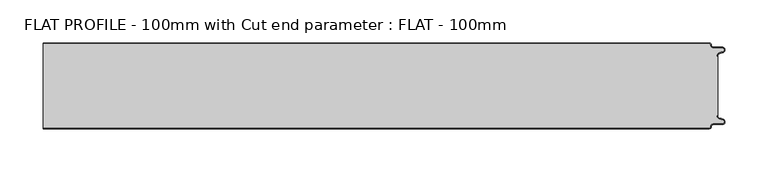
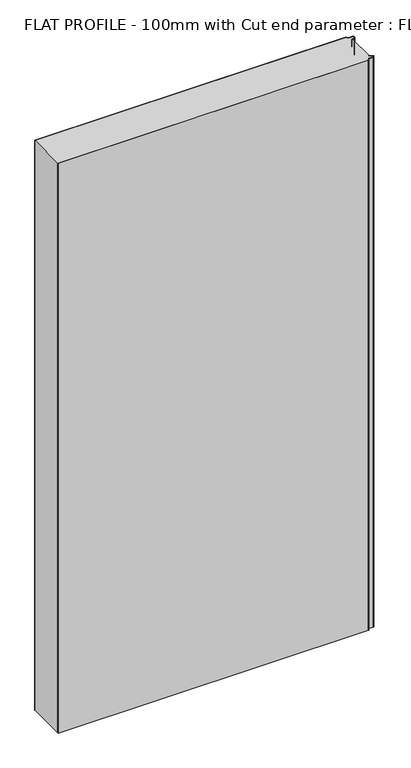
"""IFC4 building model written with IfcOpenShell, lengths in millimetres: proxy geometry, FLAT PROFILE - 100mm with Cut end parameter : FLAT - 100mm."""

from ifc_helpers import new_model, si_unit, point, frame_2d, origin, origin_with_axes, place, context, project, spatial, polyline, circle_curve, trimmed, segment, composite_curve, outline, extrude, source, transform, mapped, element, save


def flat_profile_100mm_with_cut_end_parameter_flat_100mm_3a750f1d(model_context):
    return source(origin(), model_context, "Body", "SweptSolid", [
        extrude(outline(composite_curve([segment(trimmed(circle_curve(frame_2d((596.9047345, 47.4926459)), 1.5073578), [point((596.902372, 49.0000019))], [point((598.4115951, 47.4539337))], False, "CARTESIAN"), True, "CONTINUOUS"), segment(trimmed(circle_curve(frame_2d((601.9112919, 47.5000019)), 3.5), [point((598.4115951, 47.4539337))], [point((601.9112919, 44.0000019))], True, "CARTESIAN"), True, "CONTINUOUS"), segment(polyline([(601.9112919, 44.0000019), (612.3116271, 44.0000019)]), True, "CONTINUOUS"), segment(trimmed(circle_curve(frame_2d((612.3116271, 41.9000019)), 2.1), [point((612.3116271, 44.0000019))], [point((613.0435993, 39.9316988))], False, "CARTESIAN"), True, "CONTINUOUS"), segment(polyline([(613.0435993, 39.9316988), (610.7828028, 39.1063001), (607.8546835, 37.9154156)]), True, "CONTINUOUS"), segment(trimmed(circle_curve(frame_2d((608.9399875, 35.2468953)), 2.8807786), [point((607.8546835, 37.9154156))], [point((606.0682599, 35.475074))], True, "CARTESIAN"), True, "CONTINUOUS"), segment(polyline([(606.0682599, 35.475074), (606.0107004, 34.2522232), (607.0118076, 34.2522232), (607.0118076, -34.2522195), (606.0107004, -34.2522195), (606.0682599, -35.4750703)]), True, "CONTINUOUS"), segment(trimmed(circle_curve(frame_2d((608.9399875, -35.2468916)), 2.8807786), [point((606.0682599, -35.4750703))], [point((607.8546835, -37.9154119))], True, "CARTESIAN"), True, "CONTINUOUS"), segment(polyline([(607.8546835, -37.9154119), (610.7828028, -39.1062964), (613.0435993, -39.9316951)]), True, "CONTINUOUS"), segment(trimmed(circle_curve(frame_2d((612.3116271, -41.8999981)), 2.1), [point((613.0435993, -39.9316951))], [point((612.3116271, -43.9999981))], False, "CARTESIAN"), True, "CONTINUOUS"), segment(polyline([(612.3116271, -43.9999981), (601.9112919, -43.9999981)]), True, "CONTINUOUS"), segment(trimmed(circle_curve(frame_2d((601.9112919, -47.4999981)), 3.5), [point((601.9112919, -43.9999981))], [point((598.4115951, -47.45393))], True, "CARTESIAN"), True, "CONTINUOUS"), segment(trimmed(circle_curve(frame_2d((596.9047345, -47.4926422)), 1.5073578), [point((598.4115951, -47.45393))], [point((596.902372, -48.9999981))], False, "CARTESIAN"), True, "CONTINUOUS"), segment(polyline([(596.902372, -48.9999981), (-176.5783274, -48.9999981), (-176.5783274, 49.0000019), (596.902372, 49.0000019)]), True, "CONTINUOUS")], self_intersect=False)), origin_with_axes(), (0.0, 0.0, 1.0), 1500.0),
        extrude(outline(composite_curve([segment(trimmed(circle_curve(frame_2d((596.9047345, 47.4926459)), 2.5073578), [point((596.9016875, 50.0000019))], [point((599.4117582, 47.4517176))], False, "CARTESIAN"), True, "CONTINUOUS"), segment(trimmed(circle_curve(frame_2d((601.9112919, 47.5000019)), 2.5), [point((599.4117582, 47.4517176))], [point((601.9112919, 45.0000019))], True, "CARTESIAN"), True, "CONTINUOUS"), segment(polyline([(601.9112919, 45.0000019), (612.3116271, 45.0000019)]), True, "CONTINUOUS"), segment(trimmed(circle_curve(frame_2d((612.3116271, 41.9000019)), 3.1), [point((612.3116271, 45.0000019))], [point((613.3890842, 38.9932707))], False, "CARTESIAN"), True, "CONTINUOUS"), segment(polyline([(613.3890842, 38.9932707), (611.1427659, 38.1731578), (608.2411829, 37.0549269)]), True, "CONTINUOUS"), segment(trimmed(circle_curve(frame_2d((609.0514567, 35.1592666)), 2.0615701), [point((608.2411829, 37.0549269))], [point((607.0118076, 35.4591051))], True, "CARTESIAN"), True, "CONTINUOUS"), segment(polyline([(607.0118076, 35.4591051), (607.0118076, 34.2522232), (606.0107004, 34.2522232), (606.0682599, 35.475074)]), True, "CONTINUOUS"), segment(trimmed(circle_curve(frame_2d((608.9399875, 35.2468953)), 2.8807786), [point((606.0682599, 35.475074))], [point((607.8546835, 37.9154156))], False, "CARTESIAN"), True, "CONTINUOUS"), segment(polyline([(607.8546835, 37.9154156), (610.7828028, 39.1063001), (613.0435993, 39.9316988)]), True, "CONTINUOUS"), segment(trimmed(circle_curve(frame_2d((612.3116271, 41.9000019)), 2.1), [point((613.0435993, 39.9316988))], [point((612.3116271, 44.0000019))], True, "CARTESIAN"), True, "CONTINUOUS"), segment(polyline([(612.3116271, 44.0000019), (601.9112919, 44.0000019)]), True, "CONTINUOUS"), segment(trimmed(circle_curve(frame_2d((601.9112919, 47.5000019)), 3.5), [point((601.9112919, 44.0000019))], [point((598.4115951, 47.4539337))], False, "CARTESIAN"), True, "CONTINUOUS"), segment(trimmed(circle_curve(frame_2d((596.9047345, 47.4926459)), 1.5073578), [point((598.4115951, 47.4539337))], [point((596.902372, 49.0000019))], True, "CARTESIAN"), True, "CONTINUOUS"), segment(polyline([(596.902372, 49.0000019), (-176.5783274, 49.0000019), (-176.5783274, 50.0000019), (596.9016875, 50.0000019)]), True, "CONTINUOUS")], self_intersect=False)), origin_with_axes(), (0.0, 0.0, 1.0), 1500.0),
        extrude(outline(composite_curve([segment(trimmed(circle_curve(frame_2d((596.9047345, -47.4926422)), 1.5073578), [point((596.902372, -48.9999981))], [point((598.4115951, -47.45393))], True, "CARTESIAN"), True, "CONTINUOUS"), segment(trimmed(circle_curve(frame_2d((601.9112919, -47.4999981)), 3.5), [point((598.4115951, -47.45393))], [point((601.9112919, -43.9999981))], False, "CARTESIAN"), True, "CONTINUOUS"), segment(polyline([(601.9112919, -43.9999981), (612.3116271, -43.9999981)]), True, "CONTINUOUS"), segment(trimmed(circle_curve(frame_2d((612.3116271, -41.8999981)), 2.1), [point((612.3116271, -43.9999981))], [point((613.0435993, -39.9316951))], True, "CARTESIAN"), True, "CONTINUOUS"), segment(polyline([(613.0435993, -39.9316951), (610.7828028, -39.1062964), (607.8546835, -37.9154119)]), True, "CONTINUOUS"), segment(trimmed(circle_curve(frame_2d((608.9399875, -35.2468916)), 2.8807786), [point((607.8546835, -37.9154119))], [point((606.0682599, -35.4750703))], False, "CARTESIAN"), True, "CONTINUOUS"), segment(polyline([(606.0682599, -35.4750703), (606.0107004, -34.2522195), (607.0118076, -34.2522195), (607.0118076, -35.4591014)]), True, "CONTINUOUS"), segment(trimmed(circle_curve(frame_2d((609.0514567, -35.1592629)), 2.0615701), [point((607.0118076, -35.4591014))], [point((608.2411829, -37.0549231))], True, "CARTESIAN"), True, "CONTINUOUS"), segment(polyline([(608.2411829, -37.0549231), (611.1427659, -38.1731541), (613.3890842, -38.993267)]), True, "CONTINUOUS"), segment(trimmed(circle_curve(frame_2d((612.3116271, -41.8999981)), 3.1), [point((613.3890842, -38.993267))], [point((612.3116271, -44.9999981))], False, "CARTESIAN"), True, "CONTINUOUS"), segment(polyline([(612.3116271, -44.9999981), (601.9112919, -44.9999981)]), True, "CONTINUOUS"), segment(trimmed(circle_curve(frame_2d((601.9112919, -47.4999981)), 2.5), [point((601.9112919, -44.9999981))], [point((599.4117582, -47.4517139))], True, "CARTESIAN"), True, "CONTINUOUS"), segment(trimmed(circle_curve(frame_2d((596.9047345, -47.4926422)), 2.5073578), [point((599.4117582, -47.4517139))], [point((596.9016875, -49.9999981))], False, "CARTESIAN"), True, "CONTINUOUS"), segment(polyline([(596.9016875, -49.9999981), (-176.5783274, -49.9999981), (-176.5783274, -48.9999981), (596.902372, -48.9999981)]), True, "CONTINUOUS")], self_intersect=False)), origin_with_axes(), (0.0, 0.0, 1.0), 1500.0),
    ])


if __name__ == "__main__":
    model = new_model("IFC4")
    model_context = context("Model", 3, world=origin())
    ifc_project = project(units=[si_unit("LENGTHUNIT", "METRE", prefix="MILLI")], contexts=[model_context])
    site = spatial("IfcSite", under=ifc_project)
    building = spatial("IfcBuilding", under=site)
    placement = place(None, origin())
    flat_profile_100mm_with_cut_end_parameter_flat_100mm_shape = flat_profile_100mm_with_cut_end_parameter_flat_100mm_3a750f1d(model_context)
    element("IfcBuildingElementProxy", 1, Name="FLAT PROFILE - 100mm with Cut end parameter : FLAT - 100mm", ObjectType="FLAT PROFILE - 100mm with Cut end parameter : FLAT - 100mm", at=placement, inside=building, context=model_context, shape_type="MappedRepresentation", body=[
        mapped(flat_profile_100mm_with_cut_end_parameter_flat_100mm_shape, transform((0.0, 0.0, 0.0), x_axis=(1.0, 0.0, 0.0), y_axis=(0.0, 1.0, 0.0), z_axis=(0.0, 0.0, 1.0))),
    ])
    save(model, "model.ifc")
